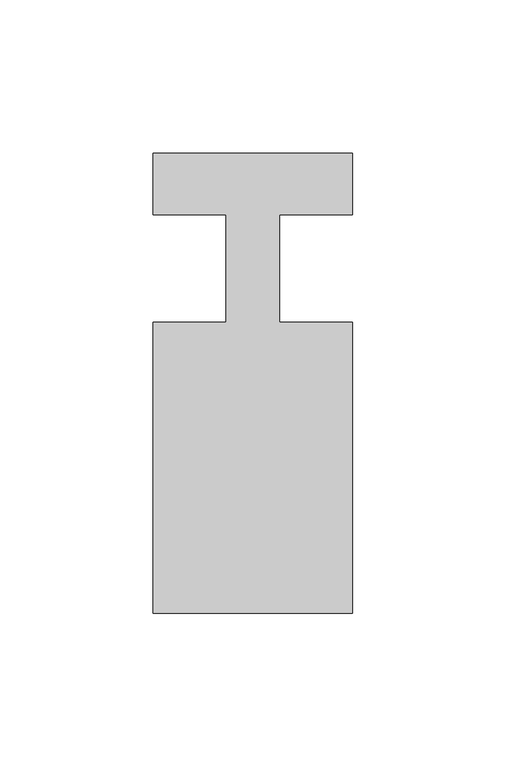
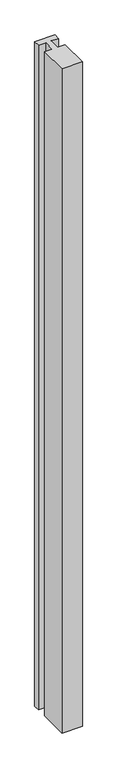
"""IFC4 building model written with IfcOpenShell, lengths in millimetres: member geometry."""

from ifc_helpers import new_model, si_unit, frame, origin, place, context, project, spatial, polyline, outline, extrude, source, transform, mapped, element, save


def member_7fcaa491(model_context):
    return source(origin(), model_context, "Body", "SweptSolid", [
        extrude(outline(polyline([(-65.0, 37.0), (0.0, 37.0), (0.0, 17.0), (-23.8125, 17.0), (-23.8125, -18.0), (0.0, -18.0), (0.0, -113.0), (-65.0, -113.0), (-65.0, -18.0), (-41.1875, -18.0), (-41.1875, 17.0), (-65.0, 17.0), (-65.0, 37.0)])), frame((0.0, 0.0, -2235.0), z_axis=(0.0, 0.0, 1.0), x_axis=(1.0, 0.0, 0.0)), (0.0, 0.0, 1.0), 2235.0),
    ])


if __name__ == "__main__":
    model = new_model("IFC4")
    model_context = context("Model", 3, world=origin())
    ifc_project = project(units=[si_unit("LENGTHUNIT", "METRE", prefix="MILLI")], contexts=[model_context])
    site = spatial("IfcSite", under=ifc_project)
    building = spatial("IfcBuilding", under=site)
    placement = place(None, origin())
    member_shape = member_7fcaa491(model_context)
    element("IfcMember", 1, at=placement, inside=building, context=model_context, shape_type="MappedRepresentation", body=[
        mapped(member_shape, transform((0.0, 0.0, 0.0), x_axis=(1.0, 0.0, 0.0), y_axis=(0.0, 1.0, 0.0), z_axis=(0.0, 0.0, 1.0))),
    ])
    save(model, "model.ifc")
